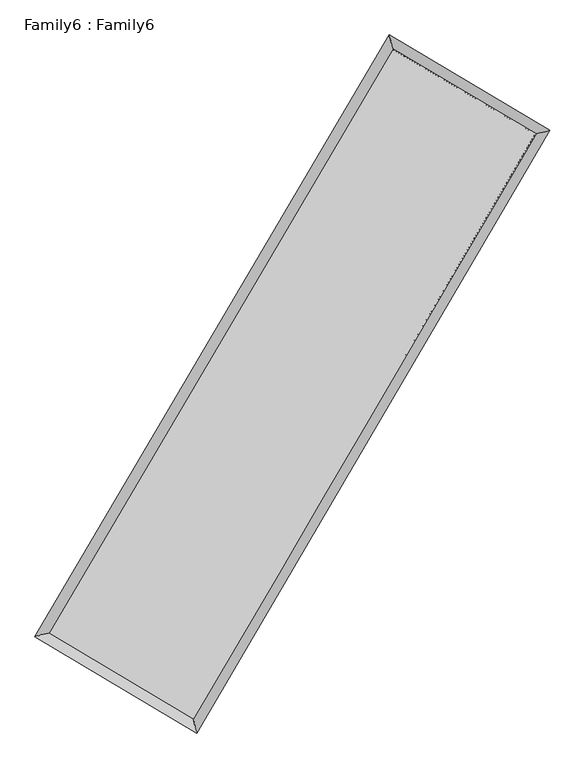
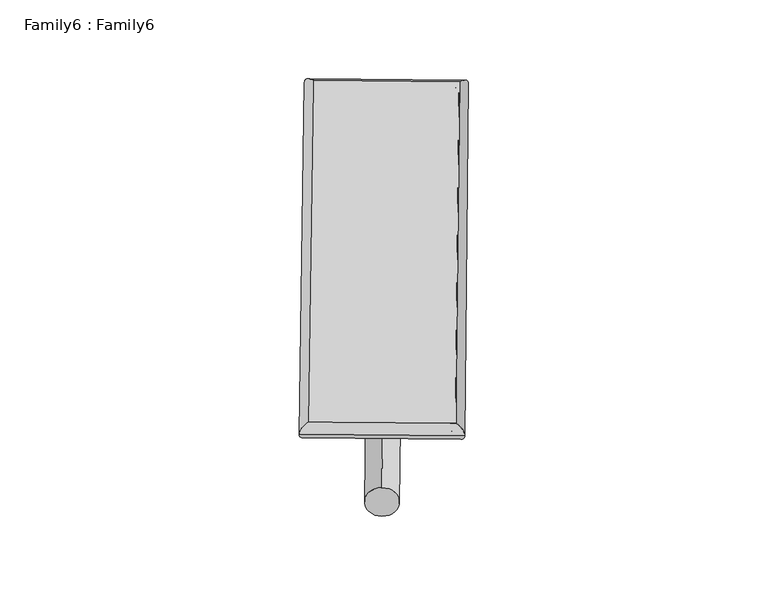
"""IFC4 building model written with IfcOpenShell, lengths in millimetres: plate geometry, Family6 : Family6."""

from ifc_helpers import new_model, si_unit, point, frame, origin, origin_2d, place, context, project, spatial, circle_curve, ellipse_curve, trimmed, segment, composite_curve, outline, extrude, source, transform, mapped, element, save
from ifc_brep_helpers import plane_surface, cylinder_surface, spline_surface, advanced_brep


def family6_family6_e2bcb23c(model_context):
    return source(origin(), model_context, "Body", "SolidModel", [
        extrude(outline(composite_curve([segment(trimmed(circle_curve(origin_2d(), 76.2), [point((-75.4341514, -10.7763073))], [point((75.4341514, 10.7763073))], False, "CARTESIAN"), True, "CONTINUOUS"), segment(trimmed(circle_curve(origin_2d(), 76.2), [point((75.4341514, 10.7763073))], [point((-75.4341514, -10.7763073))], False, "CARTESIAN"), True, "CONTINUOUS")], self_intersect=False)), frame((9144.0, 9144.0, 0.0), z_axis=(0.6713103938719696, 0.6888356724713499, 0.2735832074715191), x_axis=(-0.6808155903645169, 0.7189990822206871, -0.13975139241676335)), (0.0, 0.0, 1.0), 5564.3111048),
        extrude(outline(composite_curve([segment(trimmed(circle_curve(origin_2d(), 76.2), [point((-53.8815367, 53.8815368))], [point((53.8815367, -53.8815368))], False, "CARTESIAN"), True, "CONTINUOUS"), segment(trimmed(circle_curve(origin_2d(), 76.2), [point((53.8815367, -53.8815368))], [point((-53.8815367, 53.8815368))], False, "CARTESIAN"), True, "CONTINUOUS")], self_intersect=False)), frame((9144.0, 9144.0, 0.0), z_axis=(-0.6729760229522147, -0.687234601152622, 0.27351759634439754), x_axis=(0.6417057325603197, -0.35855994084175125, 0.6779738355001491)), (0.0, 0.0, 1.0), 5565.9026275),
        extrude(outline(composite_curve([segment(trimmed(circle_curve(origin_2d(), 76.2), [point((-53.8815367, -53.8815367))], [point((53.8815367, 53.8815367))], False, "CARTESIAN"), True, "CONTINUOUS"), segment(trimmed(circle_curve(origin_2d(), 76.2), [point((53.8815367, 53.8815367))], [point((-53.8815367, -53.8815367))], False, "CARTESIAN"), True, "CONTINUOUS")], self_intersect=False)), frame((9144.0, 9144.0, 0.0), z_axis=(0.2749575596416819, 0.9218872597681058, 0.27298758336807916), x_axis=(-0.8397361484054363, 0.3685400717815941, -0.3987748945864329)), (0.0, 0.0, 1.0), 5577.3529911),
        extrude(outline(composite_curve([segment(trimmed(circle_curve(origin_2d(), 76.2), [point((-75.4341514, 10.7763073))], [point((75.4341514, -10.7763073))], False, "CARTESIAN"), True, "CONTINUOUS"), segment(trimmed(circle_curve(origin_2d(), 76.2), [point((75.4341514, -10.7763073))], [point((-75.4341514, 10.7763073))], False, "CARTESIAN"), True, "CONTINUOUS")], self_intersect=False)), frame((9144.0, 9144.0, 0.0), z_axis=(-0.2728928098153422, -0.9225631312809448, 0.2727760677775563), x_axis=(0.8790781315228523, -0.12393695899744255, 0.46028390029715033)), (0.0, 0.0, 1.0), 5582.1023126),
        advanced_brep(
        [(5190.050127, 5265.6223912, 1522.3925766), (5606.5118442, 5372.2158643, 1522.3520397), (10731.2190086, 14076.4901834, 1522.5226995), (10623.8517268, 14494.8911481, 1522.5735297), (12671.3764253, 12923.2444843, 1522.3059054), (13087.3833334, 13030.5474791, 1522.2982535), (7566.7705968, 4203.7177707, 1522.6571422), (7674.5982336, 3784.5986519, 1522.6706954)],
        [
            (0, 1, ellipse_curve(frame((5398.2809856, 5318.9191277, 1522.3723082), z_axis=(-0.2479571669994486, 0.9687709939755131, -6.756703068482785e-05), x_axis=(-0.9687709905569074, -0.24795717253361782, -9.18940816202838e-05)), 214.9433288, 152.4)),
            (1, 2),
            (2, 3, ellipse_curve(frame((10677.5353677, 14285.6906658, 1522.5481146), z_axis=(-0.9686165112511843, -0.24855995450893006, 5.6090131528712895e-05), x_axis=(0.24855994978040413, -0.9686165108096577, -7.969998013439878e-05)), 215.9786467, 152.4)),
            (3, 0),
            (1, 0, ellipse_curve(frame((5398.2809856, 5318.9191277, 1522.3723082), z_axis=(-0.2479571669994486, 0.9687709939755131, -6.756703068482785e-05), x_axis=(-0.9687709905569074, -0.24795717253361782, -9.18940816202838e-05)), 214.9433288, 152.4)),
            (3, 2, ellipse_curve(frame((10677.5353677, 14285.6906658, 1522.5481146), z_axis=(-0.9686165112511843, -0.24855995450893006, 5.6090131528712895e-05), x_axis=(0.24855994978040413, -0.9686165108096577, -7.969998013439878e-05)), 215.9786467, 152.4)),
            (2, 4),
            (4, 5, ellipse_curve(frame((12879.3798794, 12976.8959817, 1522.3020794), z_axis=(-0.24976098741601188, 0.9683075169072998, 4.319488670320882e-05), x_axis=(-0.9683075126389613, -0.2497609904552047, 9.28104685775953e-05)), 214.8113599, 152.4)),
            (5, 3),
            (5, 4, ellipse_curve(frame((12879.3798794, 12976.8959817, 1522.3020794), z_axis=(-0.24976098741601188, 0.9683075169072998, 4.319488670320882e-05), x_axis=(-0.9683075126389613, -0.2497609904552047, 9.28104685775953e-05)), 214.8113599, 152.4)),
            (4, 6),
            (6, 7, ellipse_curve(frame((7620.6844152, 3994.1582113, 1522.6639188), z_axis=(0.9684627446178178, 0.24915840187579702, 5.533554328436943e-05), x_axis=(-0.2491583953468853, 0.9684627423084277, -0.00010386821160548642)), 216.3837079, 152.4)),
            (7, 5),
            (7, 6, ellipse_curve(frame((7620.6844152, 3994.1582113, 1522.6639188), z_axis=(0.9684627446178178, 0.24915840187579702, 5.533554328436943e-05), x_axis=(-0.2491583953468853, 0.9684627423084277, -0.00010386821160548642)), 216.3837079, 152.4)),
            (6, 1),
            (0, 7),
        ],
        [
            cylinder_surface(frame((5398.2809856, 5318.9191277, 1522.3723082), z_axis=(-0.5073544380869077, -0.8617374738677998, -1.689560603890212e-05), x_axis=(-0.8617374656062687, 0.5073544302858386, 0.0001497992557009805)), 152.4),
            cylinder_surface(frame((10677.5353677, 14285.6906658, 1522.5481146), z_axis=(-0.8596062181102266, 0.510957082894528, 9.605283917509207e-05), x_axis=(0.5109570897939824, 0.8596062165001891, 7.030998696892847e-05)), 152.4),
            cylinder_surface(frame((12879.3798794, 12976.8959817, 1522.3020794), z_axis=(0.5052155146174027, 0.8629932112023956, -3.47627776470056e-05), x_axis=(0.8629932118510564, -0.5052155146174027, 9.427138270207212e-06)), 152.4),
            cylinder_surface(frame((7620.6844152, 3994.1582113, 1522.6639188), z_axis=(0.8589696518476746, -0.5120264880857103, 0.00011270891212284713), x_axis=(-0.5120264834206621, -0.8589696592405345, -6.913805413127756e-05)), 152.4),
        ],
        [
            (0, [[1, 2, 3, 4]]),
            (0, [[5, -4, 6, -2]]),
            (1, [[-3, 7, 8, 9]]),
            (1, [[-6, -9, 10, -7]]),
            (2, [[-8, 11, 12, 13]]),
            (2, [[-10, -13, 14, -11]]),
            (3, [[-12, 15, -1, 16]]),
            (3, [[-14, -16, -5, -15]]),
        ],
    ),
        extrude(outline(composite_curve([segment(trimmed(circle_curve(origin_2d(), 304.8), [point((0.0, -304.8))], [point((0.0, 304.8))], False, "CARTESIAN"), True, "CONTINUOUS"), segment(trimmed(circle_curve(origin_2d(), 304.8), [point((0.0, 304.8))], [point((0.0, -304.8))], False, "CARTESIAN"), True, "CONTINUOUS")], self_intersect=False)), frame((6498.7428613, 4638.2108713, -3e-07), z_axis=(0.506279545551188, 0.8623694230180489, 4.882052321538414e-11), x_axis=(-0.8623694230180489, 0.506279545551188, 1.3271712905918114e-11)), (0.0, 0.0, 1.0), 10449.7887064),
        advanced_brep(
        [(5398.2809856, 5318.9191277, 1522.3723082), (7620.6844152, 3994.1582113, 1522.6639188), (7620.6838801, 3994.1601057, 1675.0639188), (5398.2804505, 5318.9210221, 1674.7723081), (12879.3798794, 12976.8959817, 1522.3020794), (12879.3793443, 12976.897876, 1674.7020794), (10677.5353677, 14285.6906658, 1522.5481146), (10677.5348326, 14285.6925601, 1674.9481146)],
        [
            (0, 1),
            (1, 2),
            (2, 3),
            (3, 0),
            (1, 4),
            (4, 5),
            (5, 2),
            (4, 6),
            (6, 7),
            (7, 5),
            (6, 0),
            (3, 7),
        ],
        [
            plane_surface(frame((6509.4827004, 4656.5386695, 1522.5181135), z_axis=(-0.5120264921773798, -0.8589696567572599, 8.879359580403858e-06), x_axis=(0.8589696518476749, -0.5120264880857096, 0.00011270891212284724))),
            plane_surface(frame((10250.0321473, 8485.5270965, 1522.4829991), z_axis=(0.8629932118499464, -0.5052155146214717, 9.309969914333568e-06), x_axis=(0.505215514617402, 0.862993211202396, -3.476277764700559e-05))),
            plane_surface(frame((11778.4576235, 13631.2933237, 1522.425097), z_axis=(0.510957084497304, 0.8596062224780396, -8.891027024205424e-06), x_axis=(-0.8596062181102269, 0.5109570828945277, 9.605283917509205e-05))),
            plane_surface(frame((8037.9081767, 9802.3048968, 1522.4602114), z_axis=(-0.8617374738732765, 0.5073544382731021, -9.332148081996794e-06), x_axis=(-0.5073544380869074, -0.8617374738677998, -1.6895606038902175e-05))),
            spline_surface(1, 1, [[(7620.6838801, 3994.1601057, 1675.0639188), (5398.2804505, 5318.9210221, 1674.7723081)], [(12879.3793443, 12976.897876, 1674.7020794), (10677.5348326, 14285.6925601, 1674.9481146)]], [2, 2], [2, 2], [0.0, 1.0], [0.0, 1.0]),
            spline_surface(1, 1, [[(10677.5353677, 14285.6906658, 1522.5481146), (5398.2809856, 5318.9191277, 1522.3723082)], [(12879.3798794, 12976.8959817, 1522.3020794), (7620.6844152, 3994.1582113, 1522.6639188)]], [2, 2], [2, 2], [0.0, 1.0], [0.0, 1.0]),
        ],
        [
            (0, [[1, 2, 3, 4]]),
            (1, [[5, 6, 7, -2]]),
            (2, [[8, 9, 10, -6]]),
            (3, [[11, -4, 12, -9]]),
            (4, [[-3, -7, -10, -12]]),
            (5, [[-11, -8, -5, -1]]),
        ],
    ),
    ])


if __name__ == "__main__":
    model = new_model("IFC4")
    model_context = context("Model", 3, world=origin())
    ifc_project = project(units=[si_unit("LENGTHUNIT", "METRE", prefix="MILLI")], contexts=[model_context])
    site = spatial("IfcSite", under=ifc_project)
    building = spatial("IfcBuilding", under=site)
    placement = place(None, origin())
    family6_family6_shape = family6_family6_e2bcb23c(model_context)
    element("IfcPlate", 1, ObjectType="Family6 : Family6", at=placement, inside=building, context=model_context, shape_type="MappedRepresentation", body=[
        mapped(family6_family6_shape, transform((0.0, 0.0, 0.0), x_axis=(1.0, 0.0, 0.0), y_axis=(0.0, 1.0, 0.0), z_axis=(0.0, 0.0, 1.0))),
    ])
    save(model, "model.ifc")
